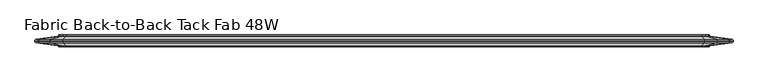
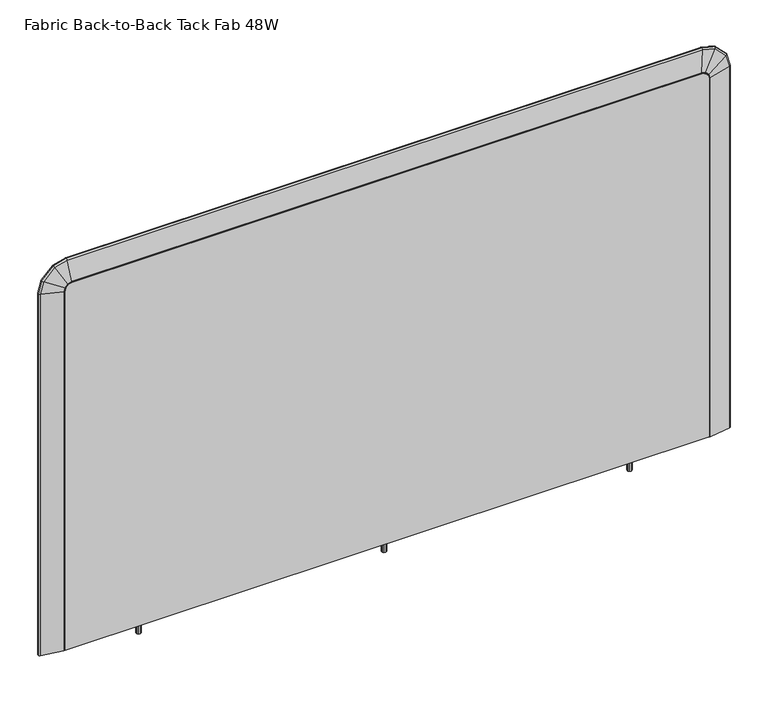
"""IFC4 building model written with IfcOpenShell, lengths in millimetres: furniture geometry, Fabric Back-to-Back Tack Fab 48W."""

from ifc_helpers import new_model, si_unit, frame, origin, place, context, project, spatial, polyline, circle_curve, ellipse_curve, outline, extrude, faceted_brep, source, transform, mapped, element, save
from ifc_brep_helpers import plane_surface, cylinder_surface, advanced_brep


def fabric_back_to_back_tack_fab_48w_6fd02a3f(model_context):
    return source(origin(), model_context, "Body", "SolidModel", [
        faceted_brep([(182.0608047, -24.5352982, 459.8223955), (182.0608047, -38.5848849, 459.8223955), (161.465212, -38.5848849, 459.8223955), (161.465212, -24.5352982, 459.8223955), (161.465212, -24.5352982, 453.564432), (182.0608047, -24.5352982, 453.564432), (161.465212, -38.5848849, 453.564432), (182.0608047, -38.5848849, 453.564432), (41.35374, -21.6312787, 453.564432), (41.35374, -21.6312787, 1111.5510233), (43.0552145, -21.6312787, 1117.9009991), (47.7037408, -21.6312787, 1122.5494799), (54.0537392, -21.6312787, 1124.2509748), (1146.2537158, -21.6312787, 1124.2509748), (1152.6036916, -21.6312787, 1122.5494799), (1157.252245, -21.6312787, 1117.9009991), (1158.95374, -21.6312787, 1111.5510233), (1158.95374, -21.6312787, 453.564432), (41.35374, -41.6655198, 453.564432), (1158.95374, -41.6655198, 453.564432), (1158.95374, -41.6655198, 1111.5510233), (1157.252245, -41.6655198, 1117.9009991), (1152.6036916, -41.6655198, 1122.5494799), (1146.2537158, -41.6655198, 1124.2509748), (54.0537392, -41.6655198, 1124.2509748), (47.7037408, -41.6655198, 1122.5494799), (43.0552145, -41.6655198, 1117.9009991), (41.35374, -41.6655198, 1111.5510233), (612.6618407, -24.5352982, 453.564432), (587.291048, -24.5352982, 453.564432), (587.291048, -38.5848849, 453.564432), (612.6618407, -38.5848849, 453.564432), (1038.6452878, -24.5352982, 453.564432), (1013.2744951, -24.5352982, 453.564432), (1013.2744951, -38.5848849, 453.564432), (1038.6452878, -38.5848849, 453.564432), (587.291048, -24.5352982, 459.8223955), (612.6618407, -24.5352982, 459.8223955), (612.6618407, -38.5848849, 459.8223955), (587.291048, -38.5848849, 459.8223955), (1013.2744951, -24.5352982, 459.8223955), (1038.6452878, -24.5352982, 459.8223955), (1038.6452878, -38.5848849, 459.8223955), (1013.2744951, -38.5848849, 459.8223955)], [[[0, 1, 2, 3]], [[0, 3, 4, 5]], [[3, 2, 6, 4]], [[2, 1, 7, 6]], [[1, 0, 5, 7]], [[8, 9, 10, 11, 12, 13, 14, 15, 16, 17]], [[18, 19, 20, 21, 22, 23, 24, 25, 26, 27]], [[9, 8, 18, 27]], [[10, 9, 27, 26]], [[11, 10, 26, 25]], [[12, 11, 25, 24]], [[13, 12, 24, 23]], [[14, 13, 23, 22]], [[15, 14, 22, 21]], [[16, 15, 21, 20]], [[17, 16, 20, 19]], [[8, 17, 19, 18], [5, 4, 6, 7], [28, 29, 30, 31], [32, 33, 34, 35]], [[36, 37, 38, 39]], [[37, 36, 29, 28]], [[38, 37, 28, 31]], [[39, 38, 31, 30]], [[36, 39, 30, 29]], [[40, 41, 42, 43]], [[41, 40, 33, 32]], [[42, 41, 32, 35]], [[43, 42, 35, 34]], [[40, 43, 34, 33]]]),
        extrude(outline(polyline([(1025.0115069, -27.7980412), (1028.0230782, -28.1945209), (1029.8722204, -30.6043713), (1029.4757329, -33.6159343), (1027.0658873, -35.4650775), (1024.054316, -35.0685977), (1022.2051738, -32.6587474), (1022.6016613, -29.6471844), (1025.0115069, -27.7980412)]), holes=[polyline([(1025.0826636, -28.0636008), (1022.8397553, -29.7846483), (1022.4707337, -32.5875912), (1024.1917799, -34.8305034), (1026.9947306, -35.1995178), (1029.2376389, -33.4784704), (1029.6066605, -30.6755274), (1027.8856143, -28.4326153), (1025.0826636, -28.0636008)])]), frame((0.0, 0.0, 433.5018), z_axis=(0.0, 0.0, 1.0), x_axis=(1.0, 0.0, 0.0)), (0.0, 0.0, 1.0), 26.3205955),
        extrude(outline(polyline([(173.0545058, -27.7980412), (176.0660771, -28.1945209), (177.9152193, -30.6043713), (177.5187318, -33.6159343), (175.1088862, -35.4650775), (172.0973149, -35.0685977), (170.2481727, -32.6587474), (170.6446602, -29.6471844), (173.0545058, -27.7980412)]), holes=[polyline([(173.1256625, -28.0636008), (170.8827542, -29.7846483), (170.5137326, -32.5875912), (172.2347788, -34.8305034), (175.0377295, -35.1995178), (177.2806378, -33.4784704), (177.6496594, -30.6755274), (175.9286132, -28.4326153), (173.1256625, -28.0636008)])]), frame((0.0, 0.0, 433.5018), z_axis=(0.0, 0.0, 1.0), x_axis=(1.0, 0.0, 0.0)), (0.0, 0.0, 1.0), 26.3205955),
        extrude(outline(polyline([(599.0280597, -27.7980412), (602.039631, -28.1945209), (603.8887732, -30.6043713), (603.4922858, -33.6159343), (601.0824401, -35.4650775), (598.0708689, -35.0685977), (596.2217266, -32.6587474), (596.6182141, -29.6471844), (599.0280597, -27.7980412)]), holes=[polyline([(599.0992164, -28.0636008), (596.8563081, -29.7846483), (596.4872866, -32.5875912), (598.2083327, -34.8305034), (601.0112834, -35.1995178), (603.2541917, -33.4784704), (603.6232133, -30.6755274), (601.9021672, -28.4326153), (599.0992164, -28.0636008)])]), frame((0.0, 0.0, 433.5018), z_axis=(0.0, 0.0, 1.0), x_axis=(1.0, 0.0, 0.0)), (0.0, 0.0, 1.0), 26.3205955),
        advanced_brep(
        [(41.35374, -40.3955198, 452.770682), (40.527722, -40.3955198, 452.770682), (39.2303702, -40.3003466, 452.770682), (2.1950955, -34.8371601, 452.770682), (0.2344281, -32.1683735, 452.770682), (1.4359994, -31.9712076, 452.770682), (0.2308623, -31.6483991, 452.770682), (2.1917528, -29.0070421, 452.770682), (39.1963882, -23.5483754, 452.770682), (40.4937399, -23.4532022, 452.770682), (41.35374, -23.4532022, 452.770682), (1158.95374, -40.3955198, 452.770682), (1158.95374, -23.4532022, 452.770682), (1159.8137401, -23.4532022, 452.770682), (1161.1110918, -23.5483754, 452.770682), (1198.1157272, -29.0070421, 452.770682), (1200.0766177, -31.6483991, 452.770682), (1198.8714806, -31.9712076, 452.770682), (1200.0730519, -32.1683735, 452.770682), (1198.1123845, -34.8371601, 452.770682), (1161.0771098, -40.3003466, 452.770682), (1159.779758, -40.3955198, 452.770682), (1158.95374, -40.3955198, 1110.7572733), (1158.95374, -23.4532022, 1110.7572733), (1157.252245, -23.4532022, 1117.1072491), (1152.6036916, -23.4532022, 1121.7557299), (1146.2537158, -23.4532022, 1123.4572248), (54.0537392, -23.4532022, 1123.4572248), (47.7037408, -23.4532022, 1121.7557299), (43.0552145, -23.4532022, 1117.1072491), (41.35374, -23.4532022, 1110.7572733), (40.4937399, -23.4532022, 1110.8704947), (42.2841603, -23.4532022, 1117.5524202), (47.2585733, -23.4532022, 1122.5267846), (53.9405169, -23.4532022, 1124.3172249), (1146.3669385, -23.4532022, 1124.3172249), (1153.048858, -23.4532022, 1122.5267846), (1158.0232979, -23.4532022, 1117.5524225), (1159.8137401, -23.4532022, 1110.870496), (1161.1110918, -23.5483754, 1111.0412979), (1198.1157272, -29.0070421, 1115.9131172), (1200.0766177, -31.6483991, 1116.1712769), (1198.8714806, -31.9712076, 1116.0126154), (1200.0730519, -32.1683735, 1116.1708075), (1198.1123845, -34.8371601, 1115.9126772), (1161.0771098, -40.3003466, 1111.036824), (1159.779758, -40.3955198, 1110.8660221), (1157.9928305, -40.3955198, 1117.5348319), (1153.0312677, -40.3955198, 1122.4963171), (1146.3624646, -40.3955198, 1124.2832429), (53.9449908, -40.3955198, 1124.2832429), (47.2761636, -40.3955198, 1122.4963171), (42.3146278, -40.3955198, 1117.5348297), (40.527722, -40.3955198, 1110.8660209), (41.35374, -40.3955198, 1110.7572733), (43.0552145, -40.3955198, 1117.1072491), (47.7037408, -40.3955198, 1121.7557299), (54.0537392, -40.3955198, 1123.4572248), (1146.2537158, -40.3955198, 1123.4572248), (1152.6036916, -40.3955198, 1121.7557299), (1157.252245, -40.3955198, 1117.1072491), (1159.1864685, -23.5483754, 1118.2239882), (1192.3638272, -29.0070421, 1137.3791963), (1194.1219087, -31.6483991, 1138.3942385), (1193.0414153, -31.9712076, 1137.7704072), (1194.1187118, -32.1683735, 1138.3923927), (1192.3608302, -34.8371601, 1137.377466), (1159.1560011, -40.3003466, 1118.2063976), (1153.7204132, -23.5483754, 1123.689958), (1172.8753219, -29.0070421, 1156.8673969), (1173.8903482, -31.6483991, 1158.6254827), (1173.2665266, -31.9712076, 1157.5449867), (1173.8885024, -32.1683735, 1158.6222858), (1172.8735916, -34.8371601, 1156.8643999), (1153.7028229, -40.3003466, 1123.6594906), (1146.5377404, -23.5483754, 1125.6145767), (1151.4095597, -29.0070421, 1162.619212), (1151.6677194, -31.6483991, 1164.5801025), (1151.5090579, -31.9712076, 1163.3749655), (1151.66725, -32.1683735, 1164.5765368), (1151.4091197, -34.8371601, 1162.6158693), (1146.5332665, -40.3003466, 1125.5805946), (53.7697156, -23.5483754, 1125.6145767), (48.8979131, -29.0070421, 1162.619212), (48.6397543, -31.6483991, 1164.5801025), (48.7984152, -31.9712076, 1163.3749655), (48.6402238, -32.1683735, 1164.5765368), (48.8983532, -34.8371601, 1162.6158693), (53.7741895, -40.3003466, 1125.5805946), (46.5870166, -23.5483754, 1123.6899579), (27.4320643, -29.0070421, 1156.8673943), (26.4170356, -31.6483991, 1158.62548), (27.0408586, -31.9712076, 1157.544984), (26.4188814, -32.1683735, 1158.622283), (27.4337946, -34.8371601, 1156.8643973), (46.6046069, -40.3003466, 1123.6594904), (41.1209877, -23.5483754, 1118.2239824), (7.9435719, -29.0070421, 1137.3790923), (6.1854873, -31.6483991, 1138.3941293), (7.2659826, -31.9712076, 1137.7703012), (6.1886843, -32.1683735, 1138.3922835), (7.9465689, -34.8371601, 1137.377362), (41.1514552, -40.3003466, 1118.2063919), (39.1963882, -23.5483754, 1111.0412946), (2.1917528, -29.0070421, 1115.9130574), (0.2308623, -31.6483991, 1116.1712141), (1.4359994, -31.9712076, 1116.0125545), (0.2344281, -32.1683735, 1116.1707447), (2.1950955, -34.8371601, 1115.9126174), (39.2303702, -40.3003466, 1111.0368208)],
        [
            (0, 1),
            (1, 2, circle_curve(frame((40.527722, -31.5055198, 452.770682), z_axis=(0.0, 0.0, -1.0), x_axis=(1.0, 0.0, 0.0)), 8.89)),
            (2, 3),
            (3, 4, circle_curve(frame((2.5350157, -32.5328209, 452.770682), z_axis=(0.0, 0.0, -1.0), x_axis=(1.0, 0.0, 0.0)), 2.3292757)),
            (4, 5),
            (5, 6),
            (6, 7, circle_curve(frame((2.5311018, -31.3075093, 452.770682), z_axis=(0.0, 0.0, -1.0), x_axis=(1.0, 0.0, 0.0)), 2.3253618)),
            (7, 8),
            (8, 9, circle_curve(frame((40.4937399, -32.3432022, 452.770682), z_axis=(0.0, 0.0, -1.0), x_axis=(1.0, 0.0, 0.0)), 8.89)),
            (9, 10),
            (10, 0),
            (11, 12),
            (12, 13),
            (13, 14, circle_curve(frame((1159.8137401, -32.3432022, 452.770682), z_axis=(0.0, 0.0, -1.0), x_axis=(-1.0, 0.0, 0.0)), 8.89)),
            (14, 15),
            (15, 16, circle_curve(frame((1197.7763782, -31.3075093, 452.770682), z_axis=(0.0, 0.0, -1.0), x_axis=(-1.0, 0.0, 0.0)), 2.3253618)),
            (16, 17),
            (17, 18),
            (18, 19, circle_curve(frame((1197.7724643, -32.5328209, 452.770682), z_axis=(0.0, 0.0, -1.0), x_axis=(-1.0, 0.0, 0.0)), 2.3292757)),
            (19, 20),
            (20, 21, circle_curve(frame((1159.779758, -31.5055198, 452.770682), z_axis=(0.0, 0.0, -1.0), x_axis=(-1.0, 0.0, 0.0)), 8.89)),
            (21, 11),
            (11, 22),
            (22, 23),
            (23, 12),
            (23, 24),
            (24, 25),
            (25, 26),
            (26, 27),
            (27, 28),
            (28, 29),
            (29, 30),
            (30, 10),
            (9, 31),
            (31, 32),
            (32, 33),
            (33, 34),
            (34, 35),
            (35, 36),
            (36, 37),
            (37, 38),
            (38, 13),
            (38, 39, ellipse_curve(frame((1159.8137401, -32.3432022, 1110.870496), z_axis=(0.13052794748771984, 0.0, -0.9914446302868573), x_axis=(-0.9914446302868571, 0.0, -0.13052794748771981)), 8.9667135, 8.89)),
            (39, 14),
            (39, 40),
            (40, 15),
            (40, 41, ellipse_curve(frame((1197.7763782, -31.3075093, 1115.8684405), z_axis=(0.13052794748771984, 0.0, -0.9914446302868573), x_axis=(-0.9914446302868571, 0.0, -0.13052794748771981)), 2.3454278, 2.3253618)),
            (41, 16),
            (41, 42),
            (42, 17),
            (42, 43),
            (43, 18),
            (43, 44, ellipse_curve(frame((1197.7724643, -32.5328209, 1115.8679252), z_axis=(0.13052794748771984, 0.0, -0.9914446302868573), x_axis=(-0.9914446302868571, 0.0, -0.13052794748771981)), 2.3493754, 2.3292757)),
            (44, 19),
            (44, 45),
            (45, 20),
            (45, 46, ellipse_curve(frame((1159.779758, -31.5055198, 1110.8660221), z_axis=(0.13052794748771984, 0.0, -0.9914446302868573), x_axis=(-0.9914446302868571, 0.0, -0.13052794748771981)), 8.9667135, 8.89)),
            (46, 21),
            (46, 47),
            (47, 48),
            (48, 49),
            (49, 50),
            (50, 51),
            (51, 52),
            (52, 53),
            (53, 1),
            (0, 54),
            (54, 55),
            (55, 56),
            (56, 57),
            (57, 58),
            (58, 59),
            (59, 60),
            (60, 22),
            (60, 24),
            (37, 61, ellipse_curve(frame((1158.0232979, -32.3432022, 1117.5524225), z_axis=(0.5000049178459374, 0.0, -0.866022564446145), x_axis=(-0.8660225644461449, 0.0, -0.5000049178459376)), 9.2036105, 8.89)),
            (61, 39),
            (61, 62),
            (62, 40),
            (62, 63, ellipse_curve(frame((1192.059576, -31.3075093, 1137.2035345), z_axis=(0.5000049178459374, 0.0, -0.866022564446145), x_axis=(-0.8660225644461449, 0.0, -0.5000049178459376)), 2.407393, 2.3253618)),
            (63, 41),
            (63, 64),
            (64, 42),
            (64, 65),
            (65, 43),
            (65, 66, ellipse_curve(frame((1192.056067, -32.5328209, 1137.2015086), z_axis=(0.5000049178459374, 0.0, -0.866022564446145), x_axis=(-0.8660225644461449, 0.0, -0.5000049178459376)), 2.411445, 2.3292757)),
            (66, 44),
            (66, 67),
            (67, 45),
            (67, 47, ellipse_curve(frame((1157.9928305, -31.5055198, 1117.5348319), z_axis=(0.5000049178459374, 0.0, -0.866022564446145), x_axis=(-0.8660225644461449, 0.0, -0.5000049178459376)), 9.2036105, 8.89)),
            (59, 25),
            (36, 68, ellipse_curve(frame((1153.048858, -32.3432022, 1122.5267846), z_axis=(0.8660264726879476, 0.0, -0.4999981486002438), x_axis=(-0.4999981486002437, 0.0, -0.8660264726879476)), 9.2035912, 8.89)),
            (68, 61),
            (68, 69),
            (69, 62),
            (69, 70, ellipse_curve(frame((1172.6996629, -31.3075093, 1156.5631451), z_axis=(0.8660264726879476, 0.0, -0.4999981486002438), x_axis=(-0.4999981486002437, 0.0, -0.8660264726879476)), 2.407388, 2.3253618)),
            (70, 63),
            (70, 71),
            (71, 64),
            (71, 72),
            (72, 65),
            (72, 73, ellipse_curve(frame((1172.6976369, -32.5328209, 1156.559636), z_axis=(0.8660264726879476, 0.0, -0.4999981486002438), x_axis=(-0.4999981486002437, 0.0, -0.8660264726879476)), 2.4114399, 2.3292757)),
            (73, 66),
            (73, 74),
            (74, 67),
            (74, 48, ellipse_curve(frame((1153.0312677, -31.5055198, 1122.4963171), z_axis=(0.8660264726879476, 0.0, -0.4999981486002438), x_axis=(-0.4999981486002437, 0.0, -0.8660264726879476)), 9.2035912, 8.89)),
            (58, 26),
            (35, 75, ellipse_curve(frame((1146.3669385, -32.3432022, 1124.3172249), z_axis=(0.9914446302855959, 0.0, -0.13052794749730162), x_axis=(-0.1305279474973037, 0.0, -0.9914446302855955)), 8.9667135, 8.89)),
            (75, 68),
            (75, 76),
            (76, 69),
            (76, 77, ellipse_curve(frame((1151.364883, -31.3075093, 1162.2798631), z_axis=(0.9914446302855959, 0.0, -0.13052794749730162), x_axis=(-0.1305279474973037, 0.0, -0.9914446302855955)), 2.3454278, 2.3253618)),
            (77, 70),
            (77, 78),
            (78, 71),
            (78, 79),
            (79, 72),
            (79, 80, ellipse_curve(frame((1151.3643677, -32.5328209, 1162.2759492), z_axis=(0.9914446302855959, 0.0, -0.13052794749730162), x_axis=(-0.1305279474973037, 0.0, -0.9914446302855955)), 2.3493754, 2.3292757)),
            (80, 73),
            (80, 81),
            (81, 74),
            (81, 49, ellipse_curve(frame((1146.3624646, -31.5055198, 1124.2832429), z_axis=(0.9914446302855959, 0.0, -0.13052794749730162), x_axis=(-0.1305279474973037, 0.0, -0.9914446302855955)), 8.9667135, 8.89)),
            (57, 27),
            (34, 82, ellipse_curve(frame((53.9405169, -32.3432022, 1124.3172249), z_axis=(0.9914446886366662, 0.0, 0.1305275042822161), x_axis=(0.13052750428221643, 0.0, -0.9914446886366662)), 8.966713, 8.89)),
            (82, 75),
            (82, 83),
            (83, 76),
            (83, 84, ellipse_curve(frame((48.9425897, -31.3075093, 1162.2798631), z_axis=(0.9914446886366662, 0.0, 0.1305275042822161), x_axis=(0.13052750428221643, 0.0, -0.9914446886366662)), 2.3454276, 2.3253618)),
            (84, 77),
            (84, 85),
            (85, 78),
            (85, 86),
            (86, 79),
            (86, 87, ellipse_curve(frame((48.943105, -32.5328209, 1162.2759492), z_axis=(0.9914446886366662, 0.0, 0.1305275042822161), x_axis=(0.13052750428221643, 0.0, -0.9914446886366662)), 2.3493753, 2.3292757)),
            (87, 80),
            (87, 88),
            (88, 81),
            (88, 50, ellipse_curve(frame((53.9449908, -31.5055198, 1124.2832429), z_axis=(0.9914446886366662, 0.0, 0.1305275042822161), x_axis=(0.13052750428221643, 0.0, -0.9914446886366662)), 8.966713, 8.89)),
            (56, 28),
            (33, 89, ellipse_curve(frame((47.2585733, -32.3432022, 1122.5267846), z_axis=(0.8660259634188127, 0.0, 0.49999903068357787), x_axis=(0.49999903068357776, 0.0, -0.8660259634188128)), 9.203596, 8.89)),
            (89, 82),
            (89, 90),
            (90, 83),
            (90, 91, ellipse_curve(frame((27.6077237, -31.3075093, 1156.5631424), z_axis=(0.8660259634188127, 0.0, 0.49999903068357787), x_axis=(0.49999903068357776, 0.0, -0.8660259634188128)), 2.4073892, 2.3253618)),
            (91, 84),
            (91, 92),
            (92, 85),
            (92, 93),
            (93, 86),
            (93, 94, ellipse_curve(frame((27.6097497, -32.5328209, 1156.5596333), z_axis=(0.8660259634188127, 0.0, 0.49999903068357787), x_axis=(0.49999903068357776, 0.0, -0.8660259634188128)), 2.4114412, 2.3292757)),
            (94, 87),
            (94, 95),
            (95, 88),
            (95, 51, ellipse_curve(frame((47.2761636, -31.5055198, 1122.4963171), z_axis=(0.8660259634188127, 0.0, 0.49999903068357787), x_axis=(0.49999903068357776, 0.0, -0.8660259634188128)), 9.203596, 8.89)),
            (55, 29),
            (32, 96, ellipse_curve(frame((42.2841603, -32.3432022, 1117.5524202), z_axis=(0.5000023482671838, 0.0, 0.8660240480075029), x_axis=(0.8660240480075031, 0.0, -0.5000023482671837)), 9.2036106, 8.89)),
            (96, 89),
            (96, 97),
            (97, 90),
            (97, 98, ellipse_curve(frame((8.2478236, -31.3075093, 1137.2034315), z_axis=(0.5000023482671838, 0.0, 0.8660240480075029), x_axis=(0.8660240480075031, 0.0, -0.5000023482671837)), 2.4073931, 2.3253618)),
            (98, 91),
            (98, 99),
            (99, 92),
            (99, 100),
            (100, 93),
            (100, 101, ellipse_curve(frame((8.2513326, -32.5328209, 1137.2014055), z_axis=(0.5000023482671838, 0.0, 0.8660240480075029), x_axis=(0.8660240480075031, 0.0, -0.5000023482671837)), 2.411445, 2.3292757)),
            (101, 94),
            (101, 102),
            (102, 95),
            (102, 52, ellipse_curve(frame((42.3146278, -31.5055198, 1117.5348297), z_axis=(0.5000023482671838, 0.0, 0.8660240480075029), x_axis=(0.8660240480075031, 0.0, -0.5000023482671837)), 9.2036106, 8.89)),
            (54, 30),
            (31, 103, ellipse_curve(frame((40.4937399, -32.3432022, 1110.8704947), z_axis=(0.13052645881328281, 0.0, 0.9914448262761092), x_axis=(0.9914448262761093, 0.0, -0.1305264588132822)), 8.9667118, 8.89)),
            (103, 96),
            (103, 104),
            (104, 97),
            (104, 105, ellipse_curve(frame((2.5311018, -31.3075093, 1115.8683812), z_axis=(0.13052645881328281, 0.0, 0.9914448262761092), x_axis=(0.9914448262761093, 0.0, -0.1305264588132822)), 2.3454273, 2.3253618)),
            (105, 98),
            (105, 106),
            (106, 99),
            (106, 107),
            (107, 100),
            (107, 108, ellipse_curve(frame((2.5350157, -32.5328209, 1115.8678659), z_axis=(0.13052645881328281, 0.0, 0.9914448262761092), x_axis=(0.9914448262761093, 0.0, -0.1305264588132822)), 2.349375, 2.3292757)),
            (108, 101),
            (108, 109),
            (109, 102),
            (109, 53, ellipse_curve(frame((40.527722, -31.5055198, 1110.8660209), z_axis=(0.13052645881328281, 0.0, 0.9914448262761092), x_axis=(0.9914448262761093, 0.0, -0.1305264588132822)), 8.9667118, 8.89)),
            (8, 103),
            (7, 104),
            (6, 105),
            (5, 106),
            (4, 107),
            (3, 108),
            (2, 109),
        ],
        [
            plane_surface(frame((41.35374, -22.3842497, 452.770682), z_axis=(0.0, 0.0, -1.0), x_axis=(0.0, -1.0, 0.0))),
            plane_surface(frame((1158.95374, -22.3842497, 452.770682), z_axis=(0.0, 0.0, -1.0), x_axis=(0.0, -1.0, 0.0))),
            plane_surface(frame((1158.95374, -40.3955198, 452.770682), z_axis=(-1.0, 0.0, 0.0), x_axis=(0.0, 0.0, 1.0))),
            plane_surface(frame((1158.95374, -23.4532022, 452.770682), z_axis=(0.0, 1.0, 0.0), x_axis=(0.0, 0.0, 1.0))),
            cylinder_surface(frame((1159.8137401, -32.3432022, 452.770682), z_axis=(0.0, 0.0, -1.0), x_axis=(-1.0, 0.0, 0.0)), 8.89),
            plane_surface(frame((1161.1110918, -23.5483754, 452.770682), z_axis=(0.14593382959754855, 0.989294353253365, 0.0), x_axis=(0.0, 0.0, 1.0))),
            cylinder_surface(frame((1197.7763782, -31.3075093, 452.770682), z_axis=(0.0, 0.0, -1.0), x_axis=(-1.0, 0.0, 0.0)), 2.3253618),
            plane_surface(frame((1200.0766177, -31.6483991, 452.770682), z_axis=(0.2587390196457306, -0.9659472654926697, 0.0), x_axis=(0.0, 0.0, 1.0))),
            plane_surface(frame((1198.8714806, -31.9712076, 452.770682), z_axis=(0.16192456545824982, 0.9868031389801905, 0.0), x_axis=(0.0, 0.0, 1.0))),
            cylinder_surface(frame((1197.7724643, -32.5328209, 452.770682), z_axis=(0.0, 0.0, -1.0), x_axis=(-1.0, 0.0, 0.0)), 2.3292757),
            plane_surface(frame((1198.1123845, -34.8371601, 452.770682), z_axis=(0.14593382959753975, -0.9892943532533662, 0.0), x_axis=(0.0, 0.0, 1.0))),
            cylinder_surface(frame((1159.779758, -31.5055198, 452.770682), z_axis=(0.0, 0.0, -1.0), x_axis=(-1.0, 0.0, 0.0)), 8.89),
            plane_surface(frame((1159.779758, -40.3955198, 452.770682), z_axis=(0.0, -1.0, 0.0), x_axis=(0.0, 0.0, 1.0))),
            plane_surface(frame((1158.95374, -40.3955198, 1110.7572733), z_axis=(-0.9659249098492838, 0.0, -0.2588224652781381), x_axis=(-0.2588224652781381, 0.0, 0.9659249098492838))),
            cylinder_surface(frame((1159.7844355, -32.3432022, 1110.9798606), z_axis=(0.2588224652781293, 0.0, -0.9659249098492861), x_axis=(-0.9659249098492861, 0.0, -0.2588224652781293)), 8.89),
            plane_surface(frame((1161.1110918, -23.5483754, 1111.0412979), z_axis=(0.14096112119797355, 0.9892943532533648, 0.0377709535439161), x_axis=(-0.2588224652781222, 0.0, 0.965924909849288))),
            cylinder_surface(frame((1196.4534933, -31.3075093, 1120.8054442), z_axis=(0.2588224652781293, 0.0, -0.9659249098492861), x_axis=(-0.9659249098492861, 0.0, -0.2588224652781293)), 2.3253618),
            plane_surface(frame((1200.0766177, -31.6483991, 1116.1712769), z_axis=(0.24992246422579506, -0.96594726549267, 0.0669674709283528), x_axis=(-0.2588224652781291, 0.0, 0.9659249098492863))),
            plane_surface(frame((1198.8714806, -31.9712076, 1116.0126154), z_axis=(0.15640697129264475, 0.9868031389801905, 0.04190971522099581), x_axis=(-0.25882246527813074, 0.0, 0.9659249098492858))),
            cylinder_surface(frame((1196.4497128, -32.5328209, 1120.8044312), z_axis=(0.2588224652781293, 0.0, -0.9659249098492861), x_axis=(-0.9659249098492861, 0.0, -0.2588224652781293)), 2.3292757),
            plane_surface(frame((1198.1123845, -34.8371601, 1115.9126772), z_axis=(0.14096112119796458, -0.9892943532533665, 0.03777095354391263), x_axis=(-0.2588224652781303, 0.0, 0.9659249098492859))),
            cylinder_surface(frame((1159.7516114, -31.5055198, 1110.9710653), z_axis=(0.2588224652781293, 0.0, -0.9659249098492861), x_axis=(-0.9659249098492861, 0.0, -0.2588224652781293)), 8.89),
            plane_surface(frame((1157.252245, -40.3955198, 1117.1072491), z_axis=(-0.707101254086499, 0.0, -0.7071123082433938), x_axis=(-0.7071123082433938, 0.0, 0.707101254086499))),
            cylinder_surface(frame((1157.8603522, -32.3432022, 1117.7153657), z_axis=(0.707112308243394, 0.0, -0.7071012540864988), x_axis=(-0.7071012540864988, 0.0, -0.707112308243394)), 8.89),
            plane_surface(frame((1159.1864685, -23.5483754, 1118.2239882), z_axis=(0.10318999392207097, 0.9892943532533649, 0.10319160709752329), x_axis=(-0.7071123082434012, 0.0, 0.7071012540864916))),
            cylinder_surface(frame((1184.7037812, -31.3075093, 1144.5592144), z_axis=(0.707112308243394, 0.0, -0.7071012540864988), x_axis=(-0.7071012540864988, 0.0, -0.707112308243394)), 2.3253618),
            plane_surface(frame((1194.1219087, -31.6483991, 1138.3942385), z_axis=(0.18295468527260628, -0.9659472654926702, 0.18295754541432507), x_axis=(-0.7071123082433978, 0.0, 0.707101254086495))),
            plane_surface(frame((1193.0414153, -31.9712076, 1137.7704072), z_axis=(0.11449706330293977, 0.9868031389801903, 0.1144988532424932), x_axis=(-0.707112308243394, 0.0, 0.7071012540864989))),
            cylinder_surface(frame((1184.7010137, -32.5328209, 1144.5564468), z_axis=(0.707112308243394, 0.0, -0.7071012540864988), x_axis=(-0.7071012540864988, 0.0, -0.707112308243394)), 2.3292757),
            plane_surface(frame((1192.3608302, -34.8371601, 1137.377466), z_axis=(0.10318999392206585, -0.9892943532533665, 0.1031916070975129), x_axis=(-0.7071123082433958, 0.0, 0.707101254086497))),
            cylinder_surface(frame((1157.8363234, -31.5055198, 1117.6913366), z_axis=(0.707112308243394, 0.0, -0.7071012540864988), x_axis=(-0.7071012540864988, 0.0, -0.707112308243394)), 8.89),
            plane_surface(frame((1152.6036916, -40.3955198, 1121.7557299), z_axis=(-0.2588224652967984, 0.0, -0.9659249098442838), x_axis=(-0.9659249098442838, 0.0, 0.2588224652967984))),
            cylinder_surface(frame((1152.8262789, -32.3432022, 1122.5864254), z_axis=(0.9659249098442835, 0.0, -0.2588224652967997), x_axis=(-0.2588224652967997, 0.0, -0.9659249098442835)), 8.89),
            plane_surface(frame((1153.7204132, -23.5483754, 1123.689958), z_axis=(0.037770953546641804, 0.9892943532533649, 0.1409611211972443), x_axis=(-0.9659249098442819, 0.0, 0.2588224652968054))),
            cylinder_surface(frame((1162.6518625, -31.3075093, 1159.2554832), z_axis=(0.9659249098442835, 0.0, -0.2588224652967997), x_axis=(-0.2588224652967997, 0.0, -0.9659249098442835)), 2.3253618),
            plane_surface(frame((1173.8903482, -31.6483991, 1158.6254827), z_axis=(0.06696747093318478, -0.9659472654926703, 0.2499224642244993), x_axis=(-0.9659249098442834, 0.0, 0.25882246529679986))),
            plane_surface(frame((1173.2665266, -31.9712076, 1157.5449867), z_axis=(0.04190971522401795, 0.9868031389801902, 0.15640697129183603), x_axis=(-0.9659249098442828, 0.0, 0.2588224652968018))),
            cylinder_surface(frame((1162.6508495, -32.5328209, 1159.2517027), z_axis=(0.9659249098442835, 0.0, -0.2588224652967997), x_axis=(-0.2588224652967997, 0.0, -0.9659249098442835)), 2.3292757),
            plane_surface(frame((1172.8735916, -34.8371601, 1156.8643999), z_axis=(0.03777095354663767, -0.9892943532533666, 0.1409611211972334), x_axis=(-0.9659249098442839, 0.0, 0.25882246529679764))),
            cylinder_surface(frame((1152.8174836, -31.5055198, 1122.5536012), z_axis=(0.9659249098442835, 0.0, -0.2588224652967997), x_axis=(-0.2588224652967997, 0.0, -0.9659249098442835)), 8.89),
            plane_surface(frame((1146.2537158, -40.3955198, 1123.4572248), z_axis=(0.0, 0.0, -1.0), x_axis=(-1.0, 0.0, 0.0))),
            cylinder_surface(frame((1146.2537158, -32.3432022, 1124.3172249), z_axis=(1.0, 0.0, 0.0), x_axis=(0.0, 0.0, -1.0)), 8.89),
            plane_surface(frame((1146.5377404, -23.5483754, 1125.6145767), z_axis=(0.0, 0.9892943532533649, 0.14593382959755002), x_axis=(-1.0, 0.0, 0.0))),
            cylinder_surface(frame((1146.2537158, -31.3075093, 1162.2798631), z_axis=(1.0, 0.0, 0.0), x_axis=(0.0, 0.0, -1.0)), 2.3253618),
            plane_surface(frame((1151.6677194, -31.6483991, 1164.5801025), z_axis=(0.0, -0.9659472654926702, 0.2587390196457293), x_axis=(-1.0, 0.0, 0.0))),
            plane_surface(frame((1151.5090579, -31.9712076, 1163.3749655), z_axis=(0.0, 0.9868031389801902, 0.16192456545825126), x_axis=(-1.0, 0.0, 0.0))),
            cylinder_surface(frame((1146.2537158, -32.5328209, 1162.2759492), z_axis=(1.0, 0.0, 0.0), x_axis=(0.0, 0.0, -1.0)), 2.3292757),
            plane_surface(frame((1151.4091197, -34.8371601, 1162.6158693), z_axis=(0.0, -0.9892943532533665, 0.14593382959753834), x_axis=(-1.0, 0.0, 0.0))),
            cylinder_surface(frame((1146.2537158, -31.5055198, 1124.2832429), z_axis=(1.0, 0.0, 0.0), x_axis=(0.0, 0.0, -1.0)), 8.89),
            plane_surface(frame((54.0537392, -40.3955198, 1123.4572248), z_axis=(0.2588216016832022, 0.0, -0.9659251412517131), x_axis=(-0.9659251412517131, 0.0, -0.2588216016832022))),
            cylinder_surface(frame((53.8311526, -32.3432022, 1124.2879206), z_axis=(0.9659251412517121, 0.0, 0.2588216016832057), x_axis=(0.2588216016832057, 0.0, -0.9659251412517121)), 8.89),
            plane_surface(frame((53.7697156, -23.5483754, 1125.6145767), z_axis=(-0.03777082751620129, 0.9892943532533648, 0.14096115496741696), x_axis=(-0.9659251412517132, 0.0, -0.25882160168320145))),
            cylinder_surface(frame((44.0056018, -31.3075093, 1160.9569872), z_axis=(0.9659251412517121, 0.0, 0.2588216016832057), x_axis=(0.2588216016832057, 0.0, -0.9659251412517121)), 2.3253618),
            plane_surface(frame((48.6397543, -31.6483991, 1164.5801025), z_axis=(-0.0669672474826496, -0.9659472654926702, 0.24992252409863075), x_axis=(-0.9659251412517127, 0.0, -0.2588216016832038))),
            plane_surface(frame((48.7984152, -31.9712076, 1163.3749655), z_axis=(-0.04190957538376188, 0.9868031389801902, 0.15640700876238336), x_axis=(-0.9659251412517118, 0.0, -0.258821601683207))),
            cylinder_surface(frame((44.0066148, -32.5328209, 1160.9532066), z_axis=(0.9659251412517121, 0.0, 0.2588216016832057), x_axis=(0.2588216016832057, 0.0, -0.9659251412517121)), 2.3292757),
            plane_surface(frame((48.8983532, -34.8371601, 1162.6158693), z_axis=(-0.03777082751619899, -0.9892943532533666, 0.1409611549674055), x_axis=(-0.965925141251712, 0.0, -0.25882160168320645))),
            cylinder_surface(frame((53.8399479, -31.5055198, 1124.2550964), z_axis=(0.9659251412517121, 0.0, 0.2588216016832057), x_axis=(0.2588216016832057, 0.0, -0.9659251412517121)), 8.89),
            plane_surface(frame((47.7037408, -40.3955198, 1121.7557299), z_axis=(0.7071033267439202, 0.0, -0.7071102356122989), x_axis=(-0.7071102356122989, 0.0, -0.7071033267439202))),
            cylinder_surface(frame((47.0956318, -32.3432022, 1122.3638447), z_axis=(0.7071102356123059, 0.0, 0.7071033267439133), x_axis=(0.7071033267439133, 0.0, -0.7071102356123059)), 8.89),
            plane_surface(frame((46.5870166, -23.5483754, 1123.6899579), z_axis=(-0.10319029639290693, 0.9892943532533649, 0.10319130463052932), x_axis=(-0.7071102356122996, 0.0, -0.7071033267439196))),
            cylinder_surface(frame((20.2521241, -31.3075093, 1149.2076147), z_axis=(0.7071102356123059, 0.0, 0.7071033267439133), x_axis=(0.7071033267439133, 0.0, -0.7071102356123059)), 2.3253618),
            plane_surface(frame((26.4170356, -31.6483991, 1158.62548), z_axis=(-0.18295522154995558, -0.9659472654926702, 0.18295700914378757), x_axis=(-0.7071102356123036, 0.0, -0.7071033267439155))),
            plane_surface(frame((27.0408586, -31.9712076, 1157.544984), z_axis=(-0.11449739891709082, 0.9868031389801903, 0.11449851763260503), x_axis=(-0.7071102356123079, 0.0, -0.7071033267439113))),
            cylinder_surface(frame((20.2548916, -32.5328209, 1149.2048472), z_axis=(0.7071102356123059, 0.0, 0.7071033267439133), x_axis=(0.7071033267439133, 0.0, -0.7071102356123059)), 2.3292757),
            plane_surface(frame((27.4337946, -34.8371601, 1156.8643973), z_axis=(-0.10319029639289957, -0.9892943532533665, 0.10319130463052108), x_axis=(-0.7071102356123076, 0.0, -0.7071033267439115))),
            cylinder_surface(frame((47.1196607, -31.5055198, 1122.3398157), z_axis=(0.7071102356123059, 0.0, 0.7071033267439133), x_axis=(0.7071033267439133, 0.0, -0.7071102356123059)), 8.89),
            plane_surface(frame((43.0552145, -40.3955198, 1117.1072491), z_axis=(0.9659256870993288, 0.0, -0.25881956456514216), x_axis=(-0.25881956456514216, 0.0, -0.9659256870993288))),
            cylinder_surface(frame((42.2245184, -32.3432022, 1117.3298339), z_axis=(0.25881956456514194, 0.0, 0.9659256870993289), x_axis=(0.9659256870993289, 0.0, -0.25881956456514194)), 8.89),
            plane_surface(frame((41.1209877, -23.5483754, 1118.2239824), z_axis=(-0.14096123462504842, 0.9892943532533649, 0.037770530231763105), x_axis=(-0.2588195645651471, 0.0, -0.9659256870993274))),
            cylinder_surface(frame((5.555431, -31.3075093, 1127.1553074), z_axis=(0.25881956456514194, 0.0, 0.9659256870993289), x_axis=(0.9659256870993289, 0.0, -0.25881956456514194)), 2.3253618),
            plane_surface(frame((6.1854873, -31.6483991, 1138.3941293), z_axis=(-0.2499226653307089, -0.96594726549267, 0.0669667204007192), x_axis=(-0.25881956456514427, 0.0, -0.9659256870993281))),
            plane_surface(frame((7.2659826, -31.9712076, 1137.7703012), z_axis=(-0.1564070971485203, 0.9868031389801905, 0.04190924552430523), x_axis=(-0.25881956456513977, 0.0, -0.9659256870993294))),
            cylinder_surface(frame((5.5592116, -32.5328209, 1127.1542944), z_axis=(0.25881956456514194, 0.0, 0.9659256870993289), x_axis=(0.9659256870993289, 0.0, -0.25881956456514194)), 2.3292757),
            plane_surface(frame((7.9465689, -34.8371601, 1137.377362), z_axis=(-0.14096123462503987, -0.9892943532533665, 0.03777053023175766), x_axis=(-0.2588195645651418, 0.0, -0.9659256870993288))),
            cylinder_surface(frame((42.2573425, -31.5055198, 1117.3210387), z_axis=(0.25881956456514194, 0.0, 0.9659256870993289), x_axis=(0.9659256870993289, 0.0, -0.25881956456514194)), 8.89),
            plane_surface(frame((41.35374, -40.3955198, 1110.7572733), z_axis=(1.0, 0.0, 0.0), x_axis=(0.0, 0.0, -1.0))),
            cylinder_surface(frame((40.4937399, -32.3432022, 1110.7572733), z_axis=(0.0, 0.0, 1.0), x_axis=(1.0, 0.0, 0.0)), 8.89),
            plane_surface(frame((39.1963882, -23.5483754, 1111.0412946), z_axis=(-0.1459338295975486, 0.989294353253365, 0.0), x_axis=(0.0, 0.0, -1.0))),
            cylinder_surface(frame((2.5311018, -31.3075093, 1110.7572733), z_axis=(0.0, 0.0, 1.0), x_axis=(1.0, 0.0, 0.0)), 2.3253618),
            plane_surface(frame((0.2308623, -31.6483991, 1116.1712141), z_axis=(-0.2587390196457307, -0.9659472654926698, 0.0), x_axis=(0.0, 0.0, -1.0))),
            plane_surface(frame((1.4359994, -31.9712076, 1116.0125545), z_axis=(-0.16192456545824985, 0.9868031389801905, 0.0), x_axis=(0.0, 0.0, -1.0))),
            cylinder_surface(frame((2.5350157, -32.5328209, 1110.7572733), z_axis=(0.0, 0.0, 1.0), x_axis=(1.0, 0.0, 0.0)), 2.3292757),
            plane_surface(frame((2.1950955, -34.8371601, 1115.9126174), z_axis=(-0.14593382959753973, -0.9892943532533662, 0.0), x_axis=(0.0, 0.0, -1.0))),
            cylinder_surface(frame((40.527722, -31.5055198, 1110.7572733), z_axis=(0.0, 0.0, 1.0), x_axis=(1.0, 0.0, 0.0)), 8.89),
        ],
        [
            (0, [[1, 2, 3, 4, 5, 6, 7, 8, 9, 10, 11]]),
            (1, [[12, 13, 14, 15, 16, 17, 18, 19, 20, 21, 22]]),
            (2, [[-12, 23, 24, 25]]),
            (3, [[-13, -25, 26, 27, 28, 29, 30, 31, 32, 33, -10, 34, 35, 36, 37, 38, 39, 40, 41, 42]]),
            (4, [[-14, -42, 43, 44]]),
            (5, [[-15, -44, 45, 46]]),
            (6, [[-16, -46, 47, 48]]),
            (7, [[-17, -48, 49, 50]]),
            (8, [[-18, -50, 51, 52]]),
            (9, [[-19, -52, 53, 54]]),
            (10, [[-20, -54, 55, 56]]),
            (11, [[-21, -56, 57, 58]]),
            (12, [[-22, -58, 59, 60, 61, 62, 63, 64, 65, 66, -1, 67, 68, 69, 70, 71, 72, 73, 74, -23]]),
            (13, [[-24, -74, 75, -26]]),
            (14, [[-43, -41, 76, 77]]),
            (15, [[-45, -77, 78, 79]]),
            (16, [[-47, -79, 80, 81]]),
            (17, [[-49, -81, 82, 83]]),
            (18, [[-51, -83, 84, 85]]),
            (19, [[-53, -85, 86, 87]]),
            (20, [[-55, -87, 88, 89]]),
            (21, [[-57, -89, 90, -59]]),
            (22, [[-75, -73, 91, -27]]),
            (23, [[-76, -40, 92, 93]]),
            (24, [[-78, -93, 94, 95]]),
            (25, [[-80, -95, 96, 97]]),
            (26, [[-82, -97, 98, 99]]),
            (27, [[-84, -99, 100, 101]]),
            (28, [[-86, -101, 102, 103]]),
            (29, [[-88, -103, 104, 105]]),
            (30, [[-90, -105, 106, -60]]),
            (31, [[-91, -72, 107, -28]]),
            (32, [[-92, -39, 108, 109]]),
            (33, [[-94, -109, 110, 111]]),
            (34, [[-96, -111, 112, 113]]),
            (35, [[-98, -113, 114, 115]]),
            (36, [[-100, -115, 116, 117]]),
            (37, [[-102, -117, 118, 119]]),
            (38, [[-104, -119, 120, 121]]),
            (39, [[-106, -121, 122, -61]]),
            (40, [[-107, -71, 123, -29]]),
            (41, [[-108, -38, 124, 125]]),
            (42, [[-110, -125, 126, 127]]),
            (43, [[-112, -127, 128, 129]]),
            (44, [[-114, -129, 130, 131]]),
            (45, [[-116, -131, 132, 133]]),
            (46, [[-118, -133, 134, 135]]),
            (47, [[-120, -135, 136, 137]]),
            (48, [[-122, -137, 138, -62]]),
            (49, [[-123, -70, 139, -30]]),
            (50, [[-124, -37, 140, 141]]),
            (51, [[-126, -141, 142, 143]]),
            (52, [[-128, -143, 144, 145]]),
            (53, [[-130, -145, 146, 147]]),
            (54, [[-132, -147, 148, 149]]),
            (55, [[-134, -149, 150, 151]]),
            (56, [[-136, -151, 152, 153]]),
            (57, [[-138, -153, 154, -63]]),
            (58, [[-139, -69, 155, -31]]),
            (59, [[-140, -36, 156, 157]]),
            (60, [[-142, -157, 158, 159]]),
            (61, [[-144, -159, 160, 161]]),
            (62, [[-146, -161, 162, 163]]),
            (63, [[-148, -163, 164, 165]]),
            (64, [[-150, -165, 166, 167]]),
            (65, [[-152, -167, 168, 169]]),
            (66, [[-154, -169, 170, -64]]),
            (67, [[-155, -68, 171, -32]]),
            (68, [[-156, -35, 172, 173]]),
            (69, [[-158, -173, 174, 175]]),
            (70, [[-160, -175, 176, 177]]),
            (71, [[-162, -177, 178, 179]]),
            (72, [[-164, -179, 180, 181]]),
            (73, [[-166, -181, 182, 183]]),
            (74, [[-168, -183, 184, 185]]),
            (75, [[-170, -185, 186, -65]]),
            (76, [[-171, -67, -11, -33]]),
            (77, [[-172, -34, -9, 187]]),
            (78, [[-174, -187, -8, 188]]),
            (79, [[-176, -188, -7, 189]]),
            (80, [[-178, -189, -6, 190]]),
            (81, [[-180, -190, -5, 191]]),
            (82, [[-182, -191, -4, 192]]),
            (83, [[-184, -192, -3, 193]]),
            (84, [[-186, -193, -2, -66]]),
        ],
    ),
    ])


if __name__ == "__main__":
    model = new_model("IFC4")
    model_context = context("Model", 3, world=origin())
    ifc_project = project(units=[si_unit("LENGTHUNIT", "METRE", prefix="MILLI")], contexts=[model_context])
    site = spatial("IfcSite", under=ifc_project)
    building = spatial("IfcBuilding", under=site)
    placement = place(None, origin())
    fabric_back_to_back_tack_fab_48w_shape = fabric_back_to_back_tack_fab_48w_6fd02a3f(model_context)
    element("IfcFurniture", 1, ObjectType="Fabric Back-to-Back Tack Fab 48W", at=placement, inside=building, context=model_context, shape_type="MappedRepresentation", body=[
        mapped(fabric_back_to_back_tack_fab_48w_shape, transform((0.0, 0.0, 0.0), x_axis=(1.0, 0.0, 0.0), y_axis=(0.0, 1.0, 0.0), z_axis=(0.0, 0.0, 1.0))),
    ])
    save(model, "model.ifc")
